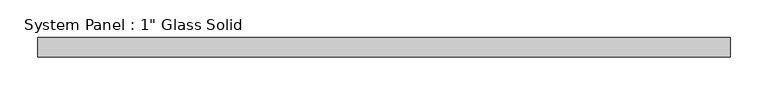
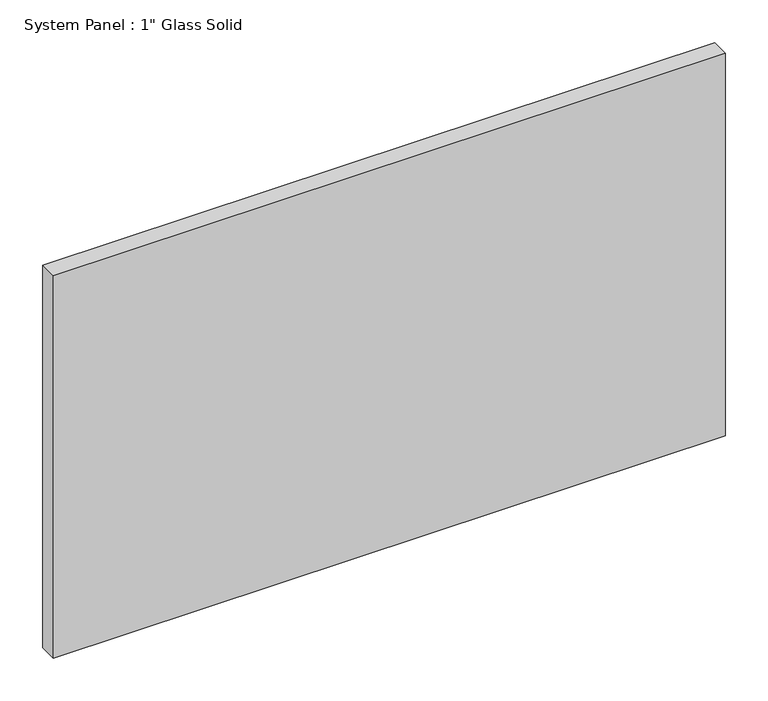
"""IFC4 building model written with IfcOpenShell, lengths in millimetres: plate geometry."""

from ifc_helpers import new_model, si_unit, origin, origin_with_axes, place, context, project, spatial, polyline, outline, extrude, source, transform, mapped, element, save


def plate_b49f0b47(model_context):
    return source(origin(), model_context, "Body", "SweptSolid", [
        extrude(outline(polyline([(456.40625, -12.7), (-456.40625, -12.7), (-456.40625, 12.7), (456.40625, 12.7), (456.40625, -12.7)])), origin_with_axes(), (0.0, 0.0, 1.0), 549.2785408),
    ])


if __name__ == "__main__":
    model = new_model("IFC4")
    model_context = context("Model", 3, world=origin())
    ifc_project = project(units=[si_unit("LENGTHUNIT", "METRE", prefix="MILLI")], contexts=[model_context])
    site = spatial("IfcSite", under=ifc_project)
    building = spatial("IfcBuilding", under=site)
    placement = place(None, origin())
    plate_shape = plate_b49f0b47(model_context)
    element("IfcPlate", 1, ObjectType="System Panel : 1\" Glass Solid", at=placement, inside=building, context=model_context, shape_type="MappedRepresentation", body=[
        mapped(plate_shape, transform((0.0, 0.0, 0.0), x_axis=(1.0, 0.0, 0.0), y_axis=(0.0, 1.0, 0.0), z_axis=(0.0, 0.0, 1.0))),
    ])
    save(model, "model.ifc")
